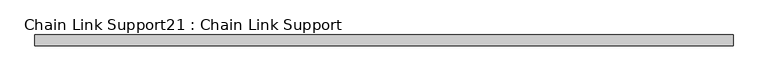
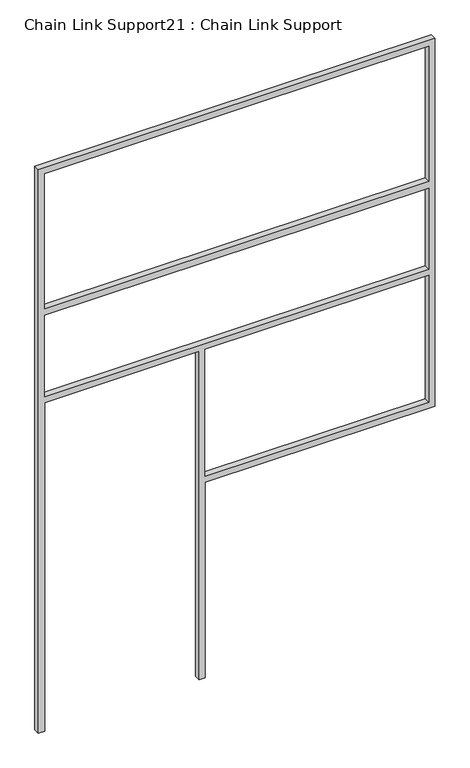
"""IFC4 building model written with IfcOpenShell, lengths in millimetres: proxy geometry, Chain Link Support21 : Chain Link Support."""

import ifcopenshell
import ifcopenshell.guid

model = None  # the IFC model being written
_history = None  # IfcOwnerHistory: only IFC2X3 demands one
_inside = {}  # id of a spatial element -> (the spatial element, [elements in it])
_under = {}  # id of a project, library or spatial element -> (it, [spatial elements below it])
_declared = {}  # id of a project -> (the project, [libraries it declares])
_typed = {}  # id of a type object -> (the type object, [elements of that type])
_made_of = {}  # id of a material, layer set ... -> (it, [elements and type objects made of it])


def new_model(schema):
    """Start an empty IFC model of exactly this schema.

    Asked for "IFC4X3", IfcOpenShell would pick the latest addendum, in which some entities
    have other attributes; the version numbers below select the first issue.
    IFC2X3 requires an IfcOwnerHistory on every rooted entity: one is made here for all.
    """
    global model, _history
    if schema == "IFC4X3":
        model = ifcopenshell.file(schema_version=(4, 3, 0, 0))
    else:
        model = ifcopenshell.file(schema=schema)
    _inside.clear()
    _under.clear()
    _declared.clear()
    _typed.clear()
    _made_of.clear()
    _history = None
    if model.schema == "IFC2X3":
        org = make("IfcOrganization", Name="unknown")
        user = make(
            "IfcPersonAndOrganization",
            ThePerson=make("IfcPerson", FamilyName="unknown"),
            TheOrganization=org,
        )
        app = make(
            "IfcApplication",
            ApplicationDeveloper=org,
            Version="unknown",
            ApplicationFullName="unknown",
            ApplicationIdentifier="unknown",
        )
        _history = make(
            "IfcOwnerHistory",
            OwningUser=user,
            OwningApplication=app,
            ChangeAction="ADDED",
            CreationDate=0,
        )
    return model


def make(cls, **values):
    """One entity of the class cls with the attributes given. An attribute that is None is left unset."""
    return model.create_entity(
        cls, **{name: value for name, value in values.items() if value is not None}
    )


def rooted(cls, **values):
    """An entity with a GlobalId (a new one), such as an element, a storey or a relation."""
    return make(cls, GlobalId=ifcopenshell.guid.new(), OwnerHistory=_history, **values)


def si_unit(unit_type, name, prefix=None):
    """IfcSIUnit, for example si_unit("LENGTHUNIT", "METRE", prefix="MILLI")."""
    return make("IfcSIUnit", UnitType=unit_type, Prefix=prefix, Name=name)


def assignment(units):
    """IfcUnitAssignment: the units of a project."""
    return None if units is None else make("IfcUnitAssignment", Units=units)


def point(xyz):
    """IfcCartesianPoint."""
    return None if xyz is None else make("IfcCartesianPoint", Coordinates=xyz)


def direction(xyz):
    """IfcDirection."""
    return None if xyz is None else make("IfcDirection", DirectionRatios=xyz)


def frame(location, z_axis=None, x_axis=None):
    """IfcAxis2Placement3D, a coordinate frame: its origin and axes. An axis left out is left unset."""
    return make(
        "IfcAxis2Placement3D",
        Location=point(location),
        Axis=direction(z_axis),
        RefDirection=direction(x_axis),
    )


def origin():
    """The frame at (0, 0, 0) with its axes left unset."""
    return frame((0.0, 0.0, 0.0))


def place(relative_to, where):
    """IfcLocalPlacement: puts the frame where relative to a parent placement (None: the world)."""
    return make(
        "IfcLocalPlacement", PlacementRelTo=relative_to, RelativePlacement=where
    )


def context(
    kind, dimensions, precision=None, world=None, true_north=None, identifier=None
):
    """IfcGeometricRepresentationContext, for example the 3D "Model" context."""
    return make(
        "IfcGeometricRepresentationContext",
        ContextIdentifier=identifier,
        ContextType=kind,
        CoordinateSpaceDimension=dimensions,
        Precision=precision,
        WorldCoordinateSystem=world,
        TrueNorth=true_north,
    )


def project(units=None, contexts=None):
    """IfcProject with its units and contexts."""
    return rooted(
        "IfcProject",
        Name="project",
        RepresentationContexts=contexts,
        UnitsInContext=assignment(units),
    )


def spatial(cls, under=None, at=None, **own):
    """A site, building, storey or space (cls), placed at a placement, below another one or the project."""
    s = rooted(cls, ObjectPlacement=at, **own)
    if under is not None:
        _under.setdefault(under.id(), (under, []))[1].append(s)
    return s


def polyline(points):
    """IfcPolyline through the points."""
    return make("IfcPolyline", Points=[point(p) for p in points])


def outline(outer, holes=None, kind="AREA"):
    """IfcArbitraryClosedProfileDef: a profile drawn as a closed curve; with holes, ...WithVoids."""
    if holes is None:
        return make("IfcArbitraryClosedProfileDef", ProfileType=kind, OuterCurve=outer)
    return make(
        "IfcArbitraryProfileDefWithVoids",
        ProfileType=kind,
        OuterCurve=outer,
        InnerCurves=holes,
    )


def extrude(swept, where, along, depth):
    """IfcExtrudedAreaSolid: the profile swept, set in the frame where, extruded along a direction by depth."""
    return make(
        "IfcExtrudedAreaSolid",
        SweptArea=swept,
        Position=where,
        ExtrudedDirection=direction(along),
        Depth=depth,
    )


def shape(context_of_items, identifier, shape_type, items):
    """IfcShapeRepresentation: the items that make up one representation, for example the "Body"."""
    return make(
        "IfcShapeRepresentation",
        ContextOfItems=context_of_items,
        RepresentationIdentifier=identifier,
        RepresentationType=shape_type,
        Items=items,
    )


def source(mapping_origin, context_of_items, identifier, shape_type, items):
    """IfcRepresentationMap: a shape defined once, which mapped items show again and again."""
    return make(
        "IfcRepresentationMap",
        MappingOrigin=mapping_origin,
        MappedRepresentation=shape(context_of_items, identifier, shape_type, items),
    )


def transform(
    local_origin,
    x_axis=None,
    y_axis=None,
    z_axis=None,
    scale=None,
    scale2=None,
    scale3=None,
    uniform=True,
):
    """IfcCartesianTransformationOperator3D, or its non-uniform kind. x_axis, y_axis, z_axis: its Axis1, 2, 3."""
    if uniform:
        return make(
            "IfcCartesianTransformationOperator3D",
            Axis1=direction(x_axis),
            Axis2=direction(y_axis),
            LocalOrigin=point(local_origin),
            Scale=scale,
            Axis3=direction(z_axis),
        )
    return make(
        "IfcCartesianTransformationOperator3DnonUniform",
        Axis1=direction(x_axis),
        Axis2=direction(y_axis),
        LocalOrigin=point(local_origin),
        Scale=scale,
        Axis3=direction(z_axis),
        Scale2=scale2,
        Scale3=scale3,
    )


def mapped(mapping_source, mapping_target):
    """IfcMappedItem: shows the shape of a source again, moved by a transform."""
    return make(
        "IfcMappedItem", MappingSource=mapping_source, MappingTarget=mapping_target
    )


def made_of(thing, what):
    """Note that an element or type object is made of a material, layer set ...; save() writes the relation."""
    if what is not None:
        _made_of.setdefault(what.id(), (what, []))[1].append(thing)
    return thing


def element(
    cls,
    number,
    at=None,
    inside=None,
    cuts=None,
    type_object=None,
    material=None,
    context=None,
    identifier="Body",
    shape_type=None,
    held_by="IfcProductDefinitionShape",
    body=None,
    shapes=None,
    **own,
):
    """One element of the class cls, such as IfcWall. Its Tag is "e" and its number.

    at: its placement. inside: the storey or other place that contains it. cuts: it is an
    opening in that element (IfcRelVoidsElement). A single representation is given by context,
    identifier, shape_type and body (its items); several are given by shapes. held_by: the class
    of the entity that holds the representations. save() writes the other relations.
    """
    e = rooted(cls, Tag="e%d" % number, ObjectPlacement=at, **own)
    if body is not None:
        shapes = [shape(context, identifier, shape_type, body)]
    if shapes is not None:
        e.Representation = make(held_by, Representations=shapes)
    if inside is not None:
        _inside.setdefault(inside.id(), (inside, []))[1].append(e)
    if cuts is not None:
        rooted(
            "IfcRelVoidsElement", RelatingBuildingElement=cuts, RelatedOpeningElement=e
        )
    if type_object is not None:
        _typed.setdefault(type_object.id(), (type_object, []))[1].append(e)
    return made_of(e, material)


def aggregate(whole, parts):
    """IfcRelAggregates: a whole, such as a stair, and the parts it consists of."""
    return rooted("IfcRelAggregates", RelatingObject=whole, RelatedObjects=parts)


def save(model, path):
    """Write the relations noted so far, then the file.

    IfcRelAggregates (storeys below a building ...), IfcRelContainedInSpatialStructure (elements
    in a storey), IfcRelDefinesByType, IfcRelAssociatesMaterial and IfcRelDeclares: one each for
    every whole, place, type object, material and project.
    """
    for whole, parts in _under.values():
        aggregate(whole, parts)
    for where, things in _inside.values():
        rooted(
            "IfcRelContainedInSpatialStructure",
            RelatedElements=things,
            RelatingStructure=where,
        )
    for kind, things in _typed.values():
        rooted("IfcRelDefinesByType", RelatedObjects=things, RelatingType=kind)
    for what, things in _made_of.values():
        rooted("IfcRelAssociatesMaterial", RelatedObjects=things, RelatingMaterial=what)
    for by, libraries in _declared.values():
        rooted("IfcRelDeclares", RelatingContext=by, RelatedDefinitions=libraries)
    model.write(path)


def chain_link_support21_chain_link_support_a4141050(model_context):
    return source(origin(), model_context, "Body", "SweptSolid", [
        extrude(outline(polyline([(3657.6, -5619.7598205), (0.0, -5619.7598205), (0.0, -5581.6598205), (2133.6, -5581.6598205), (2133.6, -4632.3348205), (0.0, -4632.3348205), (0.0, -4594.2348205), (1270.0, -4594.2348205), (1270.0, -3181.3598205), (3657.6, -3181.3598205), (3657.6, -5619.7598205)]), holes=[polyline([(2743.2, -5581.6598205), (3619.5, -5581.6598205), (3619.5, -3219.4598205), (2743.2, -3219.4598205), (2743.2, -5581.6598205)]), polyline([(1308.1, -3219.4598205), (1308.1, -4594.2348205), (2133.6, -4594.2348205), (2133.6, -3219.4598205), (1308.1, -3219.4598205)]), polyline([(2171.7, -5581.6598205), (2698.75, -5581.6598205), (2698.75, -3219.4598205), (2171.7, -3219.4598205), (2171.7, -5581.6598205)])]), frame((0.0, 15505.742683, 0.0), z_axis=(0.0, 1.0, 0.0), x_axis=(0.0, 0.0, 1.0)), (0.0, 0.0, 1.0), 38.1),
    ])


if __name__ == "__main__":
    model = new_model("IFC4")
    model_context = context("Model", 3, world=origin())
    ifc_project = project(units=[si_unit("LENGTHUNIT", "METRE", prefix="MILLI")], contexts=[model_context])
    site = spatial("IfcSite", under=ifc_project)
    building = spatial("IfcBuilding", under=site)
    placement = place(None, origin())
    chain_link_support21_chain_link_support_shape = chain_link_support21_chain_link_support_a4141050(model_context)
    element("IfcBuildingElementProxy", 1, Name="Chain Link Support21 : Chain Link Support", ObjectType="Chain Link Support21 : Chain Link Support", at=placement, inside=building, context=model_context, shape_type="MappedRepresentation", body=[
        mapped(chain_link_support21_chain_link_support_shape, transform((0.0, 0.0, 0.0), x_axis=(1.0, 0.0, 0.0), y_axis=(0.0, 1.0, 0.0), z_axis=(0.0, 0.0, 1.0))),
    ])
    save(model, "model.ifc")
